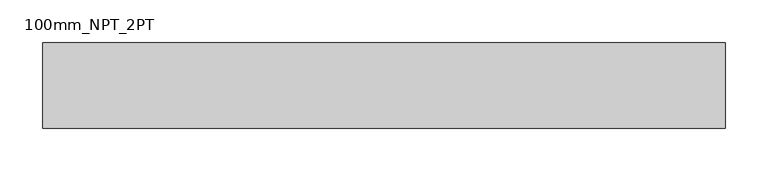
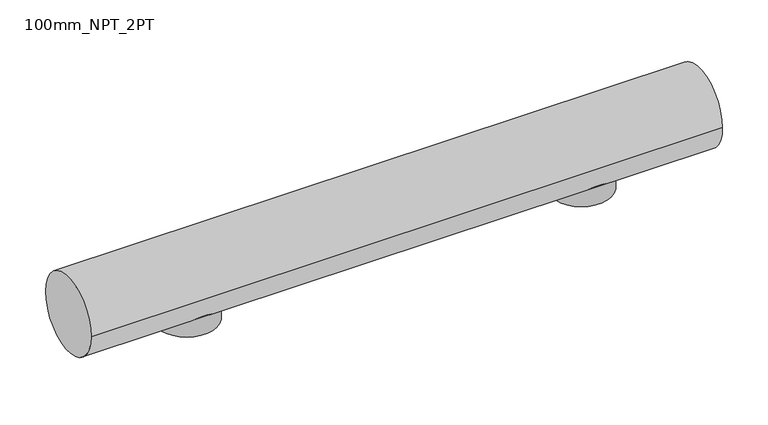
"""IFC4 building model written with IfcOpenShell, lengths in millimetres: proxy geometry, 100mm_NPT_2PT."""

import ifcopenshell
import ifcopenshell.guid

model = None  # the IFC model being written
_history = None  # IfcOwnerHistory: only IFC2X3 demands one
_inside = {}  # id of a spatial element -> (the spatial element, [elements in it])
_under = {}  # id of a project, library or spatial element -> (it, [spatial elements below it])
_declared = {}  # id of a project -> (the project, [libraries it declares])
_typed = {}  # id of a type object -> (the type object, [elements of that type])
_made_of = {}  # id of a material, layer set ... -> (it, [elements and type objects made of it])


def new_model(schema):
    """Start an empty IFC model of exactly this schema.

    Asked for "IFC4X3", IfcOpenShell would pick the latest addendum, in which some entities
    have other attributes; the version numbers below select the first issue.
    IFC2X3 requires an IfcOwnerHistory on every rooted entity: one is made here for all.
    """
    global model, _history
    if schema == "IFC4X3":
        model = ifcopenshell.file(schema_version=(4, 3, 0, 0))
    else:
        model = ifcopenshell.file(schema=schema)
    _inside.clear()
    _under.clear()
    _declared.clear()
    _typed.clear()
    _made_of.clear()
    _history = None
    if model.schema == "IFC2X3":
        org = make("IfcOrganization", Name="unknown")
        user = make(
            "IfcPersonAndOrganization",
            ThePerson=make("IfcPerson", FamilyName="unknown"),
            TheOrganization=org,
        )
        app = make(
            "IfcApplication",
            ApplicationDeveloper=org,
            Version="unknown",
            ApplicationFullName="unknown",
            ApplicationIdentifier="unknown",
        )
        _history = make(
            "IfcOwnerHistory",
            OwningUser=user,
            OwningApplication=app,
            ChangeAction="ADDED",
            CreationDate=0,
        )
    return model


def make(cls, **values):
    """One entity of the class cls with the attributes given. An attribute that is None is left unset."""
    return model.create_entity(
        cls, **{name: value for name, value in values.items() if value is not None}
    )


def rooted(cls, **values):
    """An entity with a GlobalId (a new one), such as an element, a storey or a relation."""
    return make(cls, GlobalId=ifcopenshell.guid.new(), OwnerHistory=_history, **values)


def si_unit(unit_type, name, prefix=None):
    """IfcSIUnit, for example si_unit("LENGTHUNIT", "METRE", prefix="MILLI")."""
    return make("IfcSIUnit", UnitType=unit_type, Prefix=prefix, Name=name)


def assignment(units):
    """IfcUnitAssignment: the units of a project."""
    return None if units is None else make("IfcUnitAssignment", Units=units)


def point(xyz):
    """IfcCartesianPoint."""
    return None if xyz is None else make("IfcCartesianPoint", Coordinates=xyz)


def direction(xyz):
    """IfcDirection."""
    return None if xyz is None else make("IfcDirection", DirectionRatios=xyz)


def frame(location, z_axis=None, x_axis=None):
    """IfcAxis2Placement3D, a coordinate frame: its origin and axes. An axis left out is left unset."""
    return make(
        "IfcAxis2Placement3D",
        Location=point(location),
        Axis=direction(z_axis),
        RefDirection=direction(x_axis),
    )


def frame_2d(location, x_axis=None):
    """IfcAxis2Placement2D, a coordinate frame in the plane: its origin and x axis."""
    return make(
        "IfcAxis2Placement2D", Location=point(location), RefDirection=direction(x_axis)
    )


def origin():
    """The frame at (0, 0, 0) with its axes left unset."""
    return frame((0.0, 0.0, 0.0))


def place(relative_to, where):
    """IfcLocalPlacement: puts the frame where relative to a parent placement (None: the world)."""
    return make(
        "IfcLocalPlacement", PlacementRelTo=relative_to, RelativePlacement=where
    )


def context(
    kind, dimensions, precision=None, world=None, true_north=None, identifier=None
):
    """IfcGeometricRepresentationContext, for example the 3D "Model" context."""
    return make(
        "IfcGeometricRepresentationContext",
        ContextIdentifier=identifier,
        ContextType=kind,
        CoordinateSpaceDimension=dimensions,
        Precision=precision,
        WorldCoordinateSystem=world,
        TrueNorth=true_north,
    )


def project(units=None, contexts=None):
    """IfcProject with its units and contexts."""
    return rooted(
        "IfcProject",
        Name="project",
        RepresentationContexts=contexts,
        UnitsInContext=assignment(units),
    )


def spatial(cls, under=None, at=None, **own):
    """A site, building, storey or space (cls), placed at a placement, below another one or the project."""
    s = rooted(cls, ObjectPlacement=at, **own)
    if under is not None:
        _under.setdefault(under.id(), (under, []))[1].append(s)
    return s


def circle_curve(where, radius):
    """IfcCircle in the frame where."""
    return make("IfcCircle", Position=where, Radius=radius)


def trimmed(basis, trim1, trim2, sense, master):
    """IfcTrimmedCurve: the piece of a basis curve between two trims."""
    return make(
        "IfcTrimmedCurve",
        BasisCurve=basis,
        Trim1=trim1,
        Trim2=trim2,
        SenseAgreement=sense,
        MasterRepresentation=master,
    )


def segment(curve, same_sense, transition):
    """IfcCompositeCurveSegment."""
    return make(
        "IfcCompositeCurveSegment",
        Transition=transition,
        SameSense=same_sense,
        ParentCurve=curve,
    )


def composite_curve(segments, self_intersect=None):
    """IfcCompositeCurve: segments joined end to end."""
    return make("IfcCompositeCurve", Segments=segments, SelfIntersect=self_intersect)


def outline(outer, holes=None, kind="AREA"):
    """IfcArbitraryClosedProfileDef: a profile drawn as a closed curve; with holes, ...WithVoids."""
    if holes is None:
        return make("IfcArbitraryClosedProfileDef", ProfileType=kind, OuterCurve=outer)
    return make(
        "IfcArbitraryProfileDefWithVoids",
        ProfileType=kind,
        OuterCurve=outer,
        InnerCurves=holes,
    )


def extrude(swept, where, along, depth):
    """IfcExtrudedAreaSolid: the profile swept, set in the frame where, extruded along a direction by depth."""
    return make(
        "IfcExtrudedAreaSolid",
        SweptArea=swept,
        Position=where,
        ExtrudedDirection=direction(along),
        Depth=depth,
    )


def shape(context_of_items, identifier, shape_type, items):
    """IfcShapeRepresentation: the items that make up one representation, for example the "Body"."""
    return make(
        "IfcShapeRepresentation",
        ContextOfItems=context_of_items,
        RepresentationIdentifier=identifier,
        RepresentationType=shape_type,
        Items=items,
    )


def source(mapping_origin, context_of_items, identifier, shape_type, items):
    """IfcRepresentationMap: a shape defined once, which mapped items show again and again."""
    return make(
        "IfcRepresentationMap",
        MappingOrigin=mapping_origin,
        MappedRepresentation=shape(context_of_items, identifier, shape_type, items),
    )


def transform(
    local_origin,
    x_axis=None,
    y_axis=None,
    z_axis=None,
    scale=None,
    scale2=None,
    scale3=None,
    uniform=True,
):
    """IfcCartesianTransformationOperator3D, or its non-uniform kind. x_axis, y_axis, z_axis: its Axis1, 2, 3."""
    if uniform:
        return make(
            "IfcCartesianTransformationOperator3D",
            Axis1=direction(x_axis),
            Axis2=direction(y_axis),
            LocalOrigin=point(local_origin),
            Scale=scale,
            Axis3=direction(z_axis),
        )
    return make(
        "IfcCartesianTransformationOperator3DnonUniform",
        Axis1=direction(x_axis),
        Axis2=direction(y_axis),
        LocalOrigin=point(local_origin),
        Scale=scale,
        Axis3=direction(z_axis),
        Scale2=scale2,
        Scale3=scale3,
    )


def mapped(mapping_source, mapping_target):
    """IfcMappedItem: shows the shape of a source again, moved by a transform."""
    return make(
        "IfcMappedItem", MappingSource=mapping_source, MappingTarget=mapping_target
    )


def made_of(thing, what):
    """Note that an element or type object is made of a material, layer set ...; save() writes the relation."""
    if what is not None:
        _made_of.setdefault(what.id(), (what, []))[1].append(thing)
    return thing


def element(
    cls,
    number,
    at=None,
    inside=None,
    cuts=None,
    type_object=None,
    material=None,
    context=None,
    identifier="Body",
    shape_type=None,
    held_by="IfcProductDefinitionShape",
    body=None,
    shapes=None,
    **own,
):
    """One element of the class cls, such as IfcWall. Its Tag is "e" and its number.

    at: its placement. inside: the storey or other place that contains it. cuts: it is an
    opening in that element (IfcRelVoidsElement). A single representation is given by context,
    identifier, shape_type and body (its items); several are given by shapes. held_by: the class
    of the entity that holds the representations. save() writes the other relations.
    """
    e = rooted(cls, Tag="e%d" % number, ObjectPlacement=at, **own)
    if body is not None:
        shapes = [shape(context, identifier, shape_type, body)]
    if shapes is not None:
        e.Representation = make(held_by, Representations=shapes)
    if inside is not None:
        _inside.setdefault(inside.id(), (inside, []))[1].append(e)
    if cuts is not None:
        rooted(
            "IfcRelVoidsElement", RelatingBuildingElement=cuts, RelatedOpeningElement=e
        )
    if type_object is not None:
        _typed.setdefault(type_object.id(), (type_object, []))[1].append(e)
    return made_of(e, material)


def aggregate(whole, parts):
    """IfcRelAggregates: a whole, such as a stair, and the parts it consists of."""
    return rooted("IfcRelAggregates", RelatingObject=whole, RelatedObjects=parts)


def save(model, path):
    """Write the relations noted so far, then the file.

    IfcRelAggregates (storeys below a building ...), IfcRelContainedInSpatialStructure (elements
    in a storey), IfcRelDefinesByType, IfcRelAssociatesMaterial and IfcRelDeclares: one each for
    every whole, place, type object, material and project.
    """
    for whole, parts in _under.values():
        aggregate(whole, parts)
    for where, things in _inside.values():
        rooted(
            "IfcRelContainedInSpatialStructure",
            RelatedElements=things,
            RelatingStructure=where,
        )
    for kind, things in _typed.values():
        rooted("IfcRelDefinesByType", RelatedObjects=things, RelatingType=kind)
    for what, things in _made_of.values():
        rooted("IfcRelAssociatesMaterial", RelatedObjects=things, RelatingMaterial=what)
    for by, libraries in _declared.values():
        rooted("IfcRelDeclares", RelatingContext=by, RelatedDefinitions=libraries)
    model.write(path)


def proxy_100mm_npt_2pt_54136f45(model_context):
    return source(origin(), model_context, "Body", "SweptSolid", [
        extrude(outline(composite_curve([segment(trimmed(circle_curve(frame_2d((250.0, 0.0)), 38.0), [point((212.0, 0.0))], [point((288.0, 0.0))], False, "CARTESIAN"), True, "CONTINUOUS"), segment(trimmed(circle_curve(frame_2d((250.0, 0.0)), 38.0), [point((288.0, 0.0))], [point((212.0, 0.0))], False, "CARTESIAN"), True, "CONTINUOUS")], self_intersect=False)), frame((0.0, 0.0, -17.10201), z_axis=(0.0, 0.0, 1.0), x_axis=(1.0, 0.0, 0.0)), (0.0, 0.0, 1.0), 67.4327816),
        extrude(outline(composite_curve([segment(trimmed(circle_curve(frame_2d((-250.0, 0.0)), 38.0), [point((-288.0, 0.0))], [point((-212.0, 0.0))], False, "CARTESIAN"), True, "CONTINUOUS"), segment(trimmed(circle_curve(frame_2d((-250.0, 0.0)), 38.0), [point((-212.0, 0.0))], [point((-288.0, 0.0))], False, "CARTESIAN"), True, "CONTINUOUS")], self_intersect=False)), frame((0.0, 0.0, -17.10201), z_axis=(0.0, 0.0, 1.0), x_axis=(1.0, 0.0, 0.0)), (0.0, 0.0, 1.0), 67.4327816),
        extrude(outline(composite_curve([segment(trimmed(circle_curve(frame_2d((0.0, 40.0)), 50.0), [point((-50.0, 40.0))], [point((50.0, 40.0))], False, "CARTESIAN"), True, "CONTINUOUS"), segment(trimmed(circle_curve(frame_2d((0.0, 40.0)), 50.0), [point((50.0, 40.0))], [point((-50.0, 40.0))], False, "CARTESIAN"), True, "CONTINUOUS")], self_intersect=False)), frame((-400.0, 0.0, 0.0), z_axis=(1.0, 0.0, 0.0), x_axis=(0.0, 1.0, 0.0)), (0.0, 0.0, 1.0), 800.0),
    ])


if __name__ == "__main__":
    model = new_model("IFC4")
    model_context = context("Model", 3, world=origin())
    ifc_project = project(units=[si_unit("LENGTHUNIT", "METRE", prefix="MILLI")], contexts=[model_context])
    site = spatial("IfcSite", under=ifc_project)
    building = spatial("IfcBuilding", under=site)
    placement = place(None, origin())
    proxy_100mm_npt_2pt_shape = proxy_100mm_npt_2pt_54136f45(model_context)
    element("IfcBuildingElementProxy", 1, Name="100mm_NPT_2PT", ObjectType="100mm_NPT_2PT", at=placement, inside=building, context=model_context, shape_type="MappedRepresentation", body=[
        mapped(proxy_100mm_npt_2pt_shape, transform((0.0, 0.0, 0.0), x_axis=(1.0, 0.0, 0.0), y_axis=(0.0, 1.0, 0.0), z_axis=(0.0, 0.0, 1.0))),
    ])
    save(model, "model.ifc")
